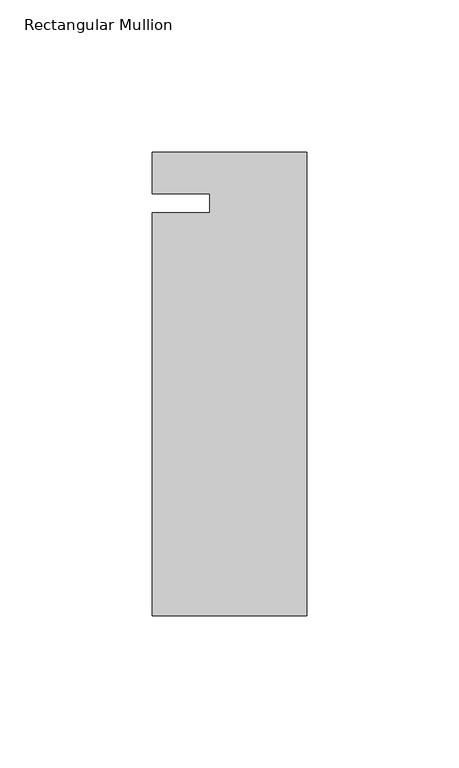
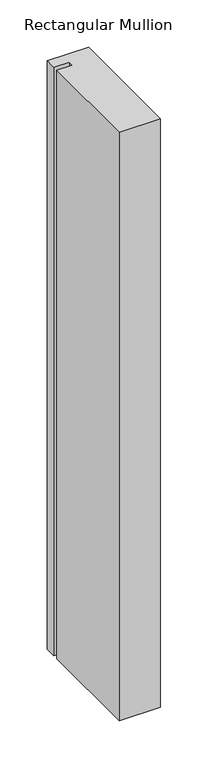
"""IFC4 building model written with IfcOpenShell, lengths in millimetres: member geometry, Rectangular Mullion."""

from ifc_helpers import new_model, si_unit, frame, origin, place, context, project, spatial, polyline, outline, extrude, source, transform, mapped, element, save


def rectangular_mullion_01316199(model_context):
    return source(origin(), model_context, "Body", "SweptSolid", [
        extrude(outline(polyline([(0.0, 13.672693), (0.0, -138.727307), (-50.8, -138.727307), (-50.8, -6.35), (-31.75, -6.35), (-31.75, 0.0), (-50.8, 0.0), (-50.8, 13.672693), (0.0, 13.672693)])), frame((0.0, 0.0, -762.0), z_axis=(0.0, 0.0, 1.0), x_axis=(1.0, 0.0, 0.0)), (0.0, 0.0, 1.0), 762.0),
    ])


if __name__ == "__main__":
    model = new_model("IFC4")
    model_context = context("Model", 3, world=origin())
    ifc_project = project(units=[si_unit("LENGTHUNIT", "METRE", prefix="MILLI")], contexts=[model_context])
    site = spatial("IfcSite", under=ifc_project)
    building = spatial("IfcBuilding", under=site)
    placement = place(None, origin())
    rectangular_mullion_shape = rectangular_mullion_01316199(model_context)
    element("IfcMember", 1, ObjectType="Rectangular Mullion", at=placement, inside=building, context=model_context, shape_type="MappedRepresentation", body=[
        mapped(rectangular_mullion_shape, transform((0.0, 0.0, 0.0), x_axis=(1.0, 0.0, 0.0), y_axis=(0.0, 1.0, 0.0), z_axis=(0.0, 0.0, 1.0))),
    ])
    save(model, "model.ifc")
